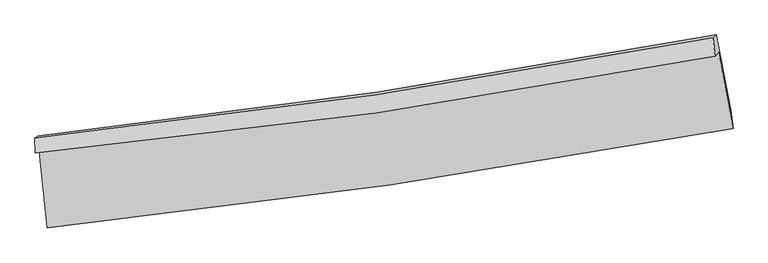
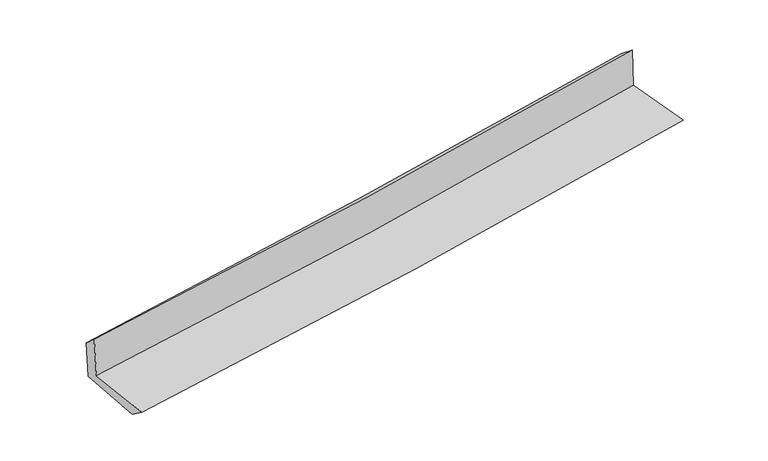
"""IFC4 building model written with IfcOpenShell, lengths in millimetres: proxy geometry."""

from ifc_helpers import new_model, si_unit, frame, origin, place, context, project, spatial, source, transform, mapped, element, save
from ifc_brep_helpers import plane_surface, spline_curve, spline_surface, advanced_brep


def generic_models_483f199f(model_context):
    return source(origin(), model_context, "Body", "AdvancedBrep", [
        advanced_brep(
        [(-2997.6460582, -1904.4143717, 1624.1459931), (-2926.8154747, -2578.5518969, 1616.4187706), (3075.5530682, -1706.4018842, 2124.4026439), (2948.6525359, -1040.6801, 2137.3297332), (-3029.573119, -1923.3654914, 2034.3294839), (2919.6267115, -1072.4158658, 2541.902378), (-3034.1857951, -1789.4482985, 1921.4279048), (2899.9866557, -912.1574364, 2418.9989978), (-3004.3073264, -1771.7131728, 1537.5637386), (2927.3140379, -887.0654641, 2048.5476272), (-2933.5020901, -2426.8826922, 1506.246643), (3054.9599791, -1546.4174212, 2013.1066366)],
        [
            (0, 1),
            (1, 2, spline_curve(3, [(-2926.8154747, -2578.5518969, 1616.4187706), (-1923.090503764, -2472.477353086, 1707.739890135), (-921.880483399, -2346.918350554, 1795.665960102), (1078.926267855, -2056.335223466, 1965.017186786), (2078.505762057, -1891.177554905, 2046.419074894), (3075.5530682, -1706.4018842, 2124.4026439)], [4, 2, 4], [0.0, 9.924615061153123, 19.883182989900263])),
            (2, 3),
            (3, 0, spline_curve(3, [(2948.6525359, -1040.6801, 2137.3297332), (1962.142876128, -1233.850352512, 2061.526499363), (972.511675506, -1402.49443571, 1980.77811411), (-1009.609104937, -1690.238905051, 1809.68320452), (-2002.077435314, -1809.506245851, 1719.37034332), (-2997.6460582, -1904.4143717, 1624.1459931)], [4, 2, 4], [0.0, 9.95856792874714, 19.883182989900263])),
            (4, 0),
            (3, 5),
            (5, 4, spline_curve(3, [(2919.6267115, -1072.4158658, 2541.902378), (1932.292814398, -1265.18321133, 2471.849165588), (942.007602464, -1432.557156027, 2394.440050026), (-1041.079097873, -1716.03417291, 2225.199012501), (-2033.860496198, -1832.310103787, 2133.417163046), (-3029.573119, -1923.3654914, 2034.3294839)], [4, 2, 4], [0.0, 9.913895023591238, 19.793989487956956])),
            (6, 4),
            (5, 7),
            (7, 6, spline_curve(3, [(2899.9866557, -912.1574364, 2418.9989978), (1914.123265993, -1099.688940144, 2350.867139201), (925.828614153, -1266.652040724, 2275.253392557), (-1052.245419279, -1558.942314543, 2109.345430951), (-2042.00825139, -1684.409501585, 2019.102146582), (-3034.1857951, -1789.4482985, 1921.4279048)], [4, 2, 4], [0.0, 9.90412664745394, 19.77448604010765])),
            (8, 6),
            (7, 9),
            (9, 8, spline_curve(3, [(2927.3140379, -887.0654641, 2048.5476272), (1942.234917981, -1072.426572679, 1969.409840837), (954.545048679, -1238.921494615, 1887.180973899), (-1022.679844411, -1533.675638304, 1716.831969212), (-2012.197096877, -1662.063285888, 1628.732873519), (-3004.3073264, -1771.7131728, 1537.5637386)], [4, 2, 4], [0.0, 9.893169948031545, 19.75260999717261])),
            (10, 8),
            (9, 11),
            (11, 10, spline_curve(3, [(3054.9599791, -1546.4174212, 2013.1066366), (2060.119098943, -1728.94698704, 1932.088362166), (1062.803768126, -1893.678827413, 1849.265689108), (-933.367098785, -2187.046098555, 1680.3000751), (-1932.205791258, -2315.802681657, 1594.169416756), (-2933.5020901, -2426.8826922, 1506.246643)], [4, 2, 4], [0.0, 9.937719042324511, 19.84155629951237])),
            (1, 10),
            (11, 2),
        ],
        [
            spline_surface(3, 3, [[(-2997.6460582, -1904.4143717, 1624.1459931), (-2002.077435446, -1809.506245921, 1719.370343363), (-1009.609104881, -1690.238905034, 1809.683204637), (972.51167545, -1402.494435727, 1980.778113993), (1962.14287624, -1233.850352672, 2061.52649939), (2948.6525359, -1040.6801, 2137.3297332)], [(-2974.035863716, -2129.126880098, 1621.570252286), (-1975.748458219, -2030.496614994, 1715.493525653), (-980.366231065, -1909.132053563, 1805.010789741), (1007.9832063, -1620.441364959, 1975.524471629), (2000.930504816, -1452.959420109, 2056.490691229), (2990.952713331, -1262.587361386, 2133.020703437)], [(-2950.425669184, -2353.839388502, 1618.994511414), (-1949.419480945, -2251.486984071, 1711.616707886), (-951.123357303, -2128.025202081, 1800.338374864), (1043.454737095, -1838.388294178, 1970.270829284), (2039.718133399, -1672.068487587, 2051.454883056), (3033.252890769, -1484.494622814, 2128.711673663)], [(-2926.8154747, -2578.5518969, 1616.4187706), (-1923.090503718, -2472.477353143, 1707.739890176), (-921.880483487, -2346.91835061, 1795.665959968), (1078.926267944, -2056.33522341, 1965.01718692), (2078.505761975, -1891.177555024, 2046.419074895), (3075.5530682, -1706.4018842, 2124.4026439)]], [4, 4], [4, 2, 4], [0.0, 2.1738142790074324], [0.0, 9.924615061153123, 19.883182989900263]),
            spline_surface(3, 3, [[(-3029.573119, -1923.3654914, 2034.3294839), (-2033.860496153, -1832.31010372, 2133.417163067), (-1041.079097886, -1716.034173065, 2225.199012368), (942.007602477, -1432.557155872, 2394.440050158), (1932.292814372, -1265.183211293, 2471.849165601), (2919.6267115, -1072.4158658, 2541.902378)], [(-3018.930765407, -1917.048451505, 1897.601653606), (-2023.266142591, -1824.708817792, 1995.401556472), (-1030.589100224, -1707.435750376, 2086.693743111), (952.175626796, -1422.536249145, 2256.55273809), (1942.242834991, -1254.738925095, 2335.07494354), (2929.301986296, -1061.837277209, 2407.044829743)], [(-3008.288411793, -1910.731411595, 1760.873823394), (-2012.671789008, -1817.107531849, 1857.385949958), (-1020.099102544, -1698.837327723, 1948.188473894), (962.343651132, -1412.515342454, 2118.665426062), (1952.192855621, -1244.29463887, 2198.300721451), (2938.977261104, -1051.258688591, 2272.187281457)], [(-2997.6460582, -1904.4143717, 1624.1459931), (-2002.077435446, -1809.506245921, 1719.370343363), (-1009.609104881, -1690.238905034, 1809.683204637), (972.51167545, -1402.494435727, 1980.778113993), (1962.14287624, -1233.850352672, 2061.52649939), (2948.6525359, -1040.6801, 2137.3297332)]], [4, 4], [4, 2, 4], [0.0, 1.3670587821549178], [0.0, 9.880094464365719, 19.793989487956956]),
            spline_surface(3, 3, [[(-3034.1857951, -1789.4482985, 1921.4279048), (-2042.008251364, -1684.409501648, 2019.102146424), (-1052.245419404, -1558.942314682, 2109.345430906), (925.828614278, -1266.652040584, 2275.253392602), (1914.123265932, -1099.688940167, 2350.867139162), (2899.9866557, -912.1574364, 2418.9989978)], [(-3032.648236395, -1834.087362799, 1959.061764503), (-2039.292332956, -1733.709702338, 2057.207151975), (-1048.52331223, -1611.306267503, 2147.963291421), (931.221610346, -1321.953745707, 2314.982278481), (1920.179782093, -1154.853697217, 2391.194481311), (2906.533340981, -965.576912875, 2459.966791202)], [(-3031.110677705, -1878.726427101, 1996.695624197), (-2036.576414561, -1783.00990303, 2095.312157516), (-1044.80120506, -1663.670220243, 2186.581151854), (936.61460641, -1377.255450749, 2354.71116428), (1926.236298211, -1210.018454243, 2431.521823452), (2913.080026219, -1018.996389325, 2500.934584598)], [(-3029.573119, -1923.3654914, 2034.3294839), (-2033.860496153, -1832.31010372, 2133.417163067), (-1041.079097886, -1716.034173065, 2225.199012368), (942.007602477, -1432.557155872, 2394.440050158), (1932.292814372, -1265.183211293, 2471.849165601), (2919.6267115, -1072.4158658, 2541.902378)]], [4, 4], [4, 2, 4], [0.0, 0.656873808197684], [0.0, 9.870359392653711, 19.77448604010765]),
            spline_surface(3, 3, [[(-3004.3073264, -1771.7131728, 1537.5637386), (-2012.197096763, -1662.06328587, 1628.732873482), (-1022.679844536, -1533.675638277, 1716.83196932), (954.545048804, -1238.921494643, 1887.18097379), (1942.234917989, -1072.42657266, 1969.409840829), (2927.3140379, -887.0654641, 2048.5476272)], [(-3014.266815945, -1777.624881356, 1665.518460683), (-2022.134148275, -1669.512024452, 1758.855964479), (-1032.53503617, -1542.097863721, 1847.669789843), (944.97290395, -1248.165009933, 2016.538446721), (1932.864367307, -1081.514028489, 2096.562273607), (2918.204910504, -895.429454859, 2172.0314174)], [(-3024.226305555, -1783.536589944, 1793.473182717), (-2032.071199852, -1676.960763066, 1888.979055428), (-1042.390227769, -1550.520089238, 1978.507610384), (935.400759132, -1257.408525295, 2145.895919671), (1923.493816613, -1090.601484339, 2223.714706384), (2909.095783096, -903.793445641, 2295.5152076)], [(-3034.1857951, -1789.4482985, 1921.4279048), (-2042.008251364, -1684.409501648, 2019.102146424), (-1052.245419404, -1558.942314682, 2109.345430906), (925.828614278, -1266.652040584, 2275.253392602), (1914.123265932, -1099.688940167, 2350.867139162), (2899.9866557, -912.1574364, 2418.9989978)]], [4, 4], [4, 2, 4], [0.0, 1.2869683283560747], [0.0, 9.859440049141064, 19.75260999717261]),
            spline_surface(3, 3, [[(-2933.5020901, -2426.8826922, 1506.246643), (-1932.205791136, -2315.802681678, 1594.169416769), (-933.367098902, -2187.046098472, 1680.300075059), (1062.803768242, -1893.678827496, 1849.26568915), (2060.119099088, -1728.946987051, 1932.088362084), (3054.9599791, -1546.4174212, 2013.1066366)], [(-2957.103835545, -2208.492852398, 1516.685674857), (-1958.86955969, -2097.88954974, 1605.690568997), (-963.138014121, -1969.255945098, 1692.477373146), (1026.717528422, -1675.426383236, 1861.904117363), (2020.824372061, -1510.106848932, 1944.528854996), (3012.411332039, -1326.633435511, 2024.92030013)], [(-2980.705580955, -1990.103012602, 1527.124706743), (-1985.533328209, -1879.976417808, 1617.211721254), (-992.908929317, -1751.465791651, 1704.654671234), (990.631288624, -1457.173938903, 1874.542545577), (1981.529645016, -1291.26671078, 1956.969347917), (2969.862684961, -1106.849449789, 2036.73396367)], [(-3004.3073264, -1771.7131728, 1537.5637386), (-2012.197096763, -1662.06328587, 1628.732873482), (-1022.679844536, -1533.675638277, 1716.83196932), (954.545048804, -1238.921494643, 1887.18097379), (1942.234917989, -1072.42657266, 1969.409840829), (2927.3140379, -887.0654641, 2048.5476272)]], [4, 4], [4, 2, 4], [0.0, 2.1736733629072553], [0.0, 9.903837257187858, 19.84155629951237]),
            spline_surface(3, 3, [[(-2926.8154747, -2578.5518969, 1616.4187706), (-1923.090503718, -2472.477353143, 1707.739890176), (-921.880483487, -2346.91835061, 1795.665959968), (1078.926267944, -2056.33522341, 1965.01718692), (2078.505761975, -1891.177555024, 2046.419074895), (3075.5530682, -1706.4018842, 2124.4026439)], [(-2929.044346492, -2527.995495344, 1579.694728065), (-1926.128932849, -2420.252462665, 1669.883065705), (-925.709355286, -2293.627599878, 1757.210664998), (1073.552101383, -2002.116424752, 1926.433354329), (2072.376874327, -1837.100699026, 2008.308837279), (3068.688705148, -1653.07372986, 2087.303974787)], [(-2931.273218308, -2477.439093756, 1542.970685535), (-1929.167362005, -2368.027572156, 1632.026241239), (-929.538227103, -2240.336849204, 1718.755370029), (1068.177934804, -1947.897626153, 1887.84952174), (2066.247986735, -1783.023843049, 1970.198599701), (3061.824342152, -1599.74557554, 2050.205305713)], [(-2933.5020901, -2426.8826922, 1506.246643), (-1932.205791136, -2315.802681678, 1594.169416769), (-933.367098902, -2187.046098472, 1680.300075059), (1062.803768242, -1893.678827496, 1849.26568915), (2060.119099088, -1728.946987051, 1932.088362084), (3054.9599791, -1546.4174212, 2013.1066366)]], [4, 4], [4, 2, 4], [0.0, 0.6524868446699774], [0.0, 9.959328855396338, 19.95272933693323]),
            plane_surface(frame((2971.0154981, -1194.1896953, 2214.0480028), z_axis=(0.9790793643041699, 0.1849872846825035, 0.08475436802629704), x_axis=(-0.07340063074827044, -0.06739637844891443, 0.9950226507862656))),
            plane_surface(frame((-2987.6716439, -2065.7293206, 1706.6887557), z_axis=(-0.9912795751313179, -0.1032131404791045, -0.08192589065682773), x_axis=(-0.10448647177012554, 0.9944609808664283, 0.01139889254323244))),
        ],
        [
            (0, [[1, 2, 3, 4]]),
            (1, [[5, -4, 6, 7]]),
            (2, [[8, -7, 9, 10]]),
            (3, [[11, -10, 12, 13]]),
            (4, [[14, -13, 15, 16]]),
            (5, [[17, -16, 18, -2]]),
            (6, [[-12, -9, -6, -3, -18, -15]]),
            (7, [[-1, -5, -8, -11, -14, -17]]),
        ],
    ),
    ])


if __name__ == "__main__":
    model = new_model("IFC4")
    model_context = context("Model", 3, world=origin())
    ifc_project = project(units=[si_unit("LENGTHUNIT", "METRE", prefix="MILLI")], contexts=[model_context])
    site = spatial("IfcSite", under=ifc_project)
    building = spatial("IfcBuilding", under=site)
    placement = place(None, origin())
    generic_models_shape = generic_models_483f199f(model_context)
    element("IfcBuildingElementProxy", 1, Name="Generic Models", at=placement, inside=building, context=model_context, shape_type="MappedRepresentation", body=[
        mapped(generic_models_shape, transform((0.0, 0.0, 0.0), x_axis=(1.0, 0.0, 0.0), y_axis=(0.0, 1.0, 0.0), z_axis=(0.0, 0.0, 1.0))),
    ])
    save(model, "model.ifc")
